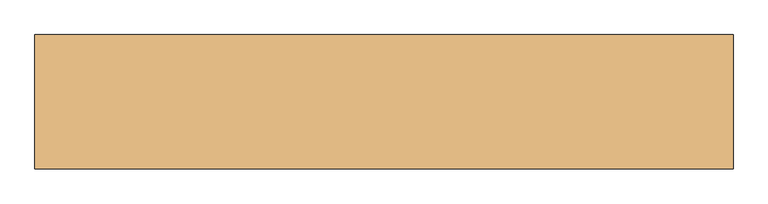
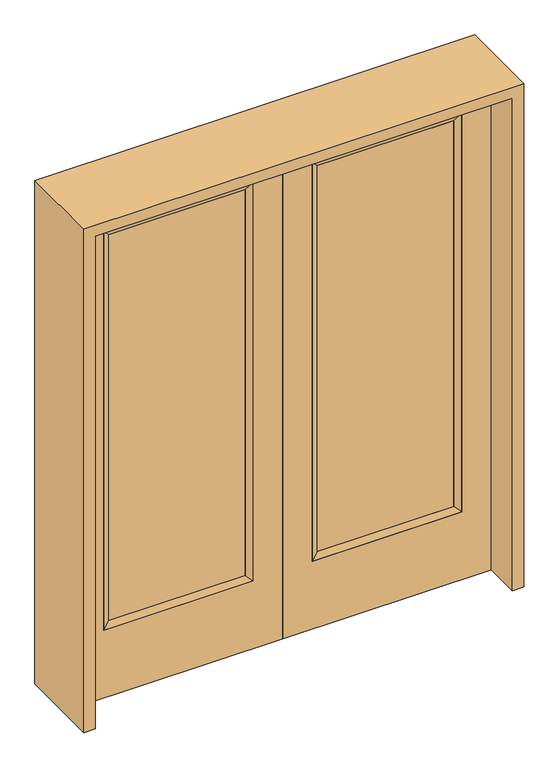
"""IFC4 building model written with IfcOpenShell, lengths in millimetres: door geometry."""

from ifc_helpers import new_model, si_unit, frame, origin, place, context, project, spatial, polyline, outline, extrude, faceted_brep, source, transform, mapped, element, save


def door_a39c0078(model_context):
    return source(origin(), model_context, "Body", "SolidModel", [
        extrude(outline(polyline([(140.8176, -12.7039749), (140.8176, 14.2875), (671.9824, 14.2875), (671.9824, -12.7039749), (140.8176, -12.7039749)])), frame((0.0, 0.0, 304.8), z_axis=(0.0, 0.0, 1.0), x_axis=(1.0, 0.0, 0.0)), (0.0, 0.0, 1.0), 1590.675),
        faceted_brep([(140.8176, 14.2875, 1895.475), (140.8176, 14.2875, 304.8), (115.4176, 22.225, 279.4), (115.4176, 22.225, 1920.875), (115.4176, -22.225, 279.4), (115.4176, -22.225, 1920.875), (671.9824, 14.2875, 304.8), (697.3824, 22.225, 279.4), (140.8176, -12.7039749, 1895.475), (140.8176, -12.7039749, 304.8), (671.9824, -12.7039749, 304.8), (697.3824, -22.225, 279.4), (671.9824, 14.2875, 1895.475), (697.3824, 22.225, 1920.875), (671.9824, -12.7039749, 1895.475), (697.3824, -22.225, 1920.875)], [[[0, 1, 2, 3]], [[3, 2, 4, 5]], [[1, 6, 7, 2]], [[8, 9, 1, 0]], [[9, 10, 6, 1]], [[5, 4, 9, 8]], [[4, 11, 10, 9]], [[2, 7, 11, 4]], [[6, 12, 13, 7]], [[10, 14, 12, 6]], [[11, 15, 14, 10]], [[7, 13, 15, 11]], [[12, 0, 3, 13]], [[14, 8, 0, 12]], [[15, 5, 8, 14]], [[13, 3, 5, 15]]]),
        extrude(outline(polyline([(0.0, 812.8), (2032.0, 812.8), (2032.0, 0.0), (0.0, 0.0), (0.0, 812.8)]), holes=[polyline([(279.4, 697.3824), (279.4, 115.4176), (1920.875, 115.4176), (1920.875, 697.3824), (279.4, 697.3824)])]), frame((0.0, -22.225, 0.0), z_axis=(0.0, 1.0, 0.0), x_axis=(0.0, 0.0, 1.0)), (0.0, 0.0, 1.0), 44.45),
        extrude(outline(polyline([(-140.8176, -12.7039749), (-671.9824, -12.7039749), (-671.9824, 14.2875), (-140.8176, 14.2875), (-140.8176, -12.7039749)])), frame((0.0, 0.0, 304.8), z_axis=(0.0, 0.0, 1.0), x_axis=(1.0, 0.0, 0.0)), (0.0, 0.0, 1.0), 1590.675),
        faceted_brep([(-140.8176, 14.2875, 1895.475), (-115.4176, 22.225, 1920.875), (-115.4176, 22.225, 279.4), (-140.8176, 14.2875, 304.8), (-115.4176, -22.225, 1920.875), (-115.4176, -22.225, 279.4), (-697.3824, 22.225, 279.4), (-671.9824, 14.2875, 304.8), (-140.8176, -12.7039749, 1895.475), (-140.8176, -12.7039749, 304.8), (-671.9824, -12.7039749, 304.8), (-697.3824, -22.225, 279.4), (-697.3824, 22.225, 1920.875), (-671.9824, 14.2875, 1895.475), (-671.9824, -12.7039749, 1895.475), (-697.3824, -22.225, 1920.875)], [[[0, 1, 2, 3]], [[1, 4, 5, 2]], [[3, 2, 6, 7]], [[8, 0, 3, 9]], [[9, 3, 7, 10]], [[4, 8, 9, 5]], [[5, 9, 10, 11]], [[2, 5, 11, 6]], [[7, 6, 12, 13]], [[10, 7, 13, 14]], [[11, 10, 14, 15]], [[6, 11, 15, 12]], [[13, 12, 1, 0]], [[14, 13, 0, 8]], [[15, 14, 8, 4]], [[12, 15, 4, 1]]]),
        extrude(outline(polyline([(0.0, -812.8), (0.0, 0.0), (2032.0, 0.0), (2032.0, -812.8), (0.0, -812.8)]), holes=[polyline([(279.4, -697.3824), (1920.875, -697.3824), (1920.875, -115.4176), (279.4, -115.4176), (279.4, -697.3824)])]), frame((0.0, -22.225, 0.0), z_axis=(0.0, 1.0, 0.0), x_axis=(0.0, 0.0, 1.0)), (0.0, 0.0, 1.0), 44.45),
        extrude(outline(polyline([(2076.45, -857.25), (0.0, -857.25), (0.0, -812.8), (2032.0, -812.8), (2032.0, 812.8), (0.0, 812.8), (0.0, 857.25), (2076.45, 857.25), (2076.45, -857.25)])), frame((0.0, -165.1, 0.0), z_axis=(0.0, 1.0, 0.0), x_axis=(0.0, 0.0, 1.0)), (0.0, 0.0, 1.0), 330.2),
    ])


if __name__ == "__main__":
    model = new_model("IFC4")
    model_context = context("Model", 3, world=origin())
    ifc_project = project(units=[si_unit("LENGTHUNIT", "METRE", prefix="MILLI")], contexts=[model_context])
    site = spatial("IfcSite", under=ifc_project)
    building = spatial("IfcBuilding", under=site)
    placement = place(None, origin())
    door_shape = door_a39c0078(model_context)
    element("IfcDoor", 1, at=placement, inside=building, context=model_context, shape_type="MappedRepresentation", body=[
        mapped(door_shape, transform((0.0, 0.0, 0.0), x_axis=(1.0, 0.0, 0.0), y_axis=(0.0, 1.0, 0.0), z_axis=(0.0, 0.0, 1.0))),
    ])
    save(model, "model.ifc")
